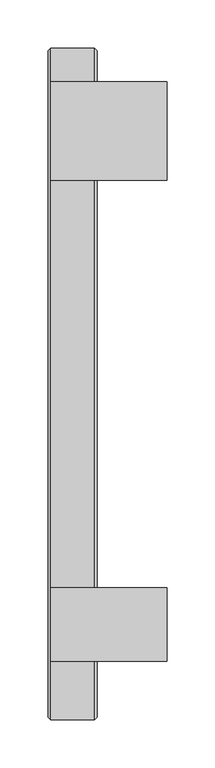
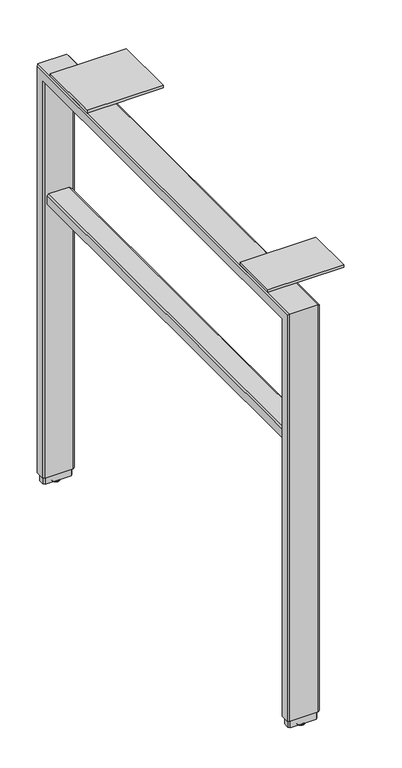
"""IFC4 building model written with IfcOpenShell, lengths in millimetres: furniture geometry."""

from ifc_helpers import new_model, si_unit, point, frame, origin, place, context, project, spatial, polyline, circle_curve, ellipse_curve, trimmed, outline, extrude, faceted_brep, source, transform, mapped, element, save
from ifc_brep_helpers import plane_surface, cylinder_surface, revolved_surface, advanced_brep


def furniture_6469d1b6(model_context):
    return source(origin(), model_context, "Body", "SolidModel", [
        extrude(outline(polyline([(211.3787877, 684.5046222), (188.0107877, 684.5046222), (188.0107877, 686.7906222), (209.0927877, 686.7906222), (209.0927877, 702.6656222), (211.3787877, 702.6656222), (211.3787877, 684.5046222)])), frame((-709.611301, 0.0, 0.0), z_axis=(1.0, 0.0, 0.0), x_axis=(0.0, 1.0, 0.0)), (0.0, 0.0, 1.0), 50.8),
        advanced_brep(
        [(-729.9318954, 236.7787877, 0.0), (-740.0918993, 236.7787877, 0.0), (-735.0118974, 236.7787877, 0.0), (-735.0118974, 236.7787877, 3.8100001), (-741.6345422, 236.7787877, 3.8100001), (-728.3892525, 236.7787877, 3.8100001), (-742.1238974, 236.7787877, 3.183654), (-727.8998973, 236.7787877, 3.183654), (-742.1238974, 236.7787877, 2.032), (-727.8998973, 236.7787877, 2.032)],
        [
            (0, 1, circle_curve(frame((-735.0118974, 236.7787877, 0.0), z_axis=(0.0, 0.0, -1.0), x_axis=(-1.0, 0.0, 0.0)), 5.080002)),
            (1, 2),
            (2, 0),
            (1, 0, circle_curve(frame((-735.0118974, 236.7787877, 0.0), z_axis=(0.0, 0.0, -1.0), x_axis=(-1.0, 0.0, 0.0)), 5.080002)),
            (3, 4),
            (4, 5, circle_curve(frame((-735.0118974, 236.7787877, 3.8100001), z_axis=(0.0, 0.0, 1.0), x_axis=(-1.0, 0.0, 0.0)), 6.6226448)),
            (5, 3),
            (5, 4, circle_curve(frame((-735.0118974, 236.7787877, 3.8100001), z_axis=(0.0, 0.0, 1.0), x_axis=(-1.0, 0.0, 0.0)), 6.6226448)),
            (4, 6),
            (6, 7, circle_curve(frame((-735.0118974, 236.7787877, 3.183654), z_axis=(0.0, 0.0, 1.0), x_axis=(-1.0, 0.0, 0.0)), 7.112)),
            (7, 5),
            (7, 6, circle_curve(frame((-735.0118974, 236.7787877, 3.183654), z_axis=(0.0, 0.0, 1.0), x_axis=(-1.0, 0.0, 0.0)), 7.112)),
            (6, 8),
            (8, 9, circle_curve(frame((-735.0118974, 236.7787877, 2.032), z_axis=(0.0, 0.0, 1.0), x_axis=(-1.0, 0.0, 0.0)), 7.112)),
            (9, 7),
            (9, 8, circle_curve(frame((-735.0118974, 236.7787877, 2.032), z_axis=(0.0, 0.0, 1.0), x_axis=(-1.0, 0.0, 0.0)), 7.112)),
            (8, 1, circle_curve(frame((-738.6550579, 236.7787877, 3.4688381), z_axis=(0.0, -1.0, 0.0), x_axis=(-1.0, 0.0, 0.0)), 3.7546439)),
            (0, 9, circle_curve(frame((-731.3687368, 236.7787877, 3.4688381), z_axis=(0.0, -1.0, 0.0), x_axis=(1.0, 0.0, 0.0)), 3.7546439)),
        ],
        [
            plane_surface(frame((-735.0118974, 236.7787877, 0.0), z_axis=(0.0, 0.0, -1.0), x_axis=(-1.0, 0.0, 0.0))),
            plane_surface(frame((-735.0118974, 236.7787877, 3.8100001), z_axis=(0.0, 0.0, 1.0), x_axis=(-1.0, 0.0, 0.0))),
            revolved_surface(polyline([(-742.1238974, 236.7787877, 3.183654), (-741.6345422, 236.7787877, 3.8100001)]), (-735.0118974, 236.7787877, -2.6032322), (0.0, 0.0, 1.0)),
            cylinder_surface(frame((-735.0118974, 236.7787877, -2.6032322), z_axis=(0.0, 0.0, 1.0), x_axis=(-1.0, 0.0, 0.0)), 7.112),
            revolved_surface(trimmed(ellipse_curve(frame((-738.6550579, 236.7787877, 3.4688381), z_axis=(0.0, 1.0, 0.0), x_axis=(-1.0, 0.0, 0.0)), 3.7546439, 3.7546439), [point((-740.0918993, 236.7787877, 0.0))], [point((-742.1238974, 236.7787877, 2.032))], True, "CARTESIAN"), (-735.0118974, 236.7787877, -2.6032322), (0.0, 0.0, 1.0)),
        ],
        [
            (0, [[1, 2, 3]]),
            (0, [[4, -3, -2]]),
            (1, [[5, 6, 7]]),
            (1, [[-7, 8, -5]]),
            (2, [[-6, 9, 10, 11]]),
            (2, [[-8, -11, 12, -9]]),
            (3, [[-10, 13, 14, 15]]),
            (3, [[-12, -15, 16, -13]]),
            (4, [[-14, 17, -1, 18]]),
            (4, [[-16, -18, -4, -17]]),
        ],
    ),
        extrude(outline(polyline([(-637.221301, -312.4962123), (-637.221301, -388.6962123), (-757.871301, -388.6962123), (-757.871301, -312.4962123), (-637.221301, -312.4962123)])), frame((0.0, 0.0, 702.6656222), z_axis=(0.0, 0.0, 1.0), x_axis=(1.0, 0.0, 0.0)), (0.0, 0.0, 1.0), 4.3434),
        extrude(outline(polyline([(-637.221301, 211.3787877), (-637.221301, 109.7787877), (-757.871301, 109.7787877), (-757.871301, 211.3787877), (-637.221301, 211.3787877)])), frame((0.0, 0.0, 702.6656222), z_axis=(0.0, 0.0, 1.0), x_axis=(1.0, 0.0, 0.0)), (0.0, 0.0, 1.0), 4.3434),
        extrude(outline(polyline([(476.5039908, -754.0612993), (473.9639932, -751.5213017), (473.9639932, -718.5012986), (476.5039908, -715.961301), (490.4739956, -715.961301), (493.0139932, -718.5012986), (493.0139932, -751.5212989), (490.4739928, -754.0612993), (476.5039908, -754.0612993)])), frame((0.0, -429.9712123, 0.0), z_axis=(0.0, 1.0, 0.0), x_axis=(0.0, 0.0, 1.0)), (0.0, 0.0, 1.0), 657.225),
        advanced_brep(
        [(-729.9318954, -439.4962123, 0.0), (-740.0918993, -439.4962123, 0.0), (-735.0118974, -439.4962123, 0.0), (-735.0118974, -439.4962123, 3.8100001), (-741.6345422, -439.4962123, 3.8100001), (-728.3892525, -439.4962123, 3.8100001), (-742.1238974, -439.4962123, 3.183654), (-727.8998973, -439.4962123, 3.183654), (-742.1238974, -439.4962123, 2.032), (-727.8998973, -439.4962123, 2.032)],
        [
            (0, 1, circle_curve(frame((-735.0118974, -439.4962123, 0.0), z_axis=(0.0, 0.0, -1.0), x_axis=(-1.0, 0.0, 0.0)), 5.080002)),
            (1, 2),
            (2, 0),
            (1, 0, circle_curve(frame((-735.0118974, -439.4962123, 0.0), z_axis=(0.0, 0.0, -1.0), x_axis=(-1.0, 0.0, 0.0)), 5.080002)),
            (3, 4),
            (4, 5, circle_curve(frame((-735.0118974, -439.4962123, 3.8100001), z_axis=(0.0, 0.0, 1.0), x_axis=(-1.0, 0.0, 0.0)), 6.6226448)),
            (5, 3),
            (5, 4, circle_curve(frame((-735.0118974, -439.4962123, 3.8100001), z_axis=(0.0, 0.0, 1.0), x_axis=(-1.0, 0.0, 0.0)), 6.6226448)),
            (4, 6),
            (6, 7, circle_curve(frame((-735.0118974, -439.4962123, 3.183654), z_axis=(0.0, 0.0, 1.0), x_axis=(-1.0, 0.0, 0.0)), 7.112)),
            (7, 5),
            (7, 6, circle_curve(frame((-735.0118974, -439.4962123, 3.183654), z_axis=(0.0, 0.0, 1.0), x_axis=(-1.0, 0.0, 0.0)), 7.112)),
            (6, 8),
            (8, 9, circle_curve(frame((-735.0118974, -439.4962123, 2.032), z_axis=(0.0, 0.0, 1.0), x_axis=(-1.0, 0.0, 0.0)), 7.112)),
            (9, 7),
            (9, 8, circle_curve(frame((-735.0118974, -439.4962123, 2.032), z_axis=(0.0, 0.0, 1.0), x_axis=(-1.0, 0.0, 0.0)), 7.112)),
            (8, 1, circle_curve(frame((-738.6550579, -439.4962123, 3.4688381), z_axis=(0.0, -1.0, 0.0), x_axis=(-1.0, 0.0, 0.0)), 3.7546439)),
            (0, 9, circle_curve(frame((-731.3687368, -439.4962123, 3.4688381), z_axis=(0.0, -1.0, 0.0), x_axis=(1.0, 0.0, 0.0)), 3.7546439)),
        ],
        [
            plane_surface(frame((-735.0118974, -439.4962123, 0.0), z_axis=(0.0, 0.0, -1.0), x_axis=(-1.0, 0.0, 0.0))),
            plane_surface(frame((-735.0118974, -439.4962123, 3.8100001), z_axis=(0.0, 0.0, 1.0), x_axis=(-1.0, 0.0, 0.0))),
            revolved_surface(polyline([(-742.1238974, -439.4962123, 3.183654), (-741.6345422, -439.4962123, 3.8100001)]), (-735.0118974, -439.4962123, -2.6032322), (0.0, 0.0, 1.0)),
            cylinder_surface(frame((-735.0118974, -439.4962123, -2.6032322), z_axis=(0.0, 0.0, 1.0), x_axis=(-1.0, 0.0, 0.0)), 7.112),
            revolved_surface(trimmed(ellipse_curve(frame((-738.6550579, -439.4962123, 3.4688381), z_axis=(0.0, 1.0, 0.0), x_axis=(-1.0, 0.0, 0.0)), 3.7546439, 3.7546439), [point((-740.0918993, -439.4962123, 0.0))], [point((-742.1238974, -439.4962123, 2.032))], True, "CARTESIAN"), (-735.0118974, -439.4962123, -2.6032322), (0.0, 0.0, 1.0)),
        ],
        [
            (0, [[1, 2, 3]]),
            (0, [[4, -3, -2]]),
            (1, [[5, 6, 7]]),
            (1, [[-7, 8, -5]]),
            (2, [[-6, 9, 10, 11]]),
            (2, [[-8, -11, 12, -9]]),
            (3, [[-10, 13, 14, 15]]),
            (3, [[-12, -15, 16, -13]]),
            (4, [[-14, 17, -1, 18]]),
            (4, [[-16, -18, -4, -17]]),
        ],
    ),
        extrude(outline(polyline([(-755.4583011, -432.3842191), (-714.5648987, -432.3842191), (-712.0243022, -434.9242166), (-712.0243022, -444.0682079), (-714.5648987, -446.6082055), (-755.4583011, -446.6082055), (-757.9983009, -444.0682079), (-757.9983009, -434.9242166), (-755.4583011, -432.3842191)])), frame((0.0, 0.0, 3.8100001), z_axis=(0.0, 0.0, 1.0), x_axis=(1.0, 0.0, 0.0)), (0.0, 0.0, 1.0), 12.6999999),
        extrude(outline(polyline([(-755.4583011, 243.8907877), (-714.5648987, 243.8907877), (-712.0243022, 241.3507902), (-712.0243022, 232.2067989), (-714.5648987, 229.6668013), (-755.4583011, 229.6668013), (-757.9983009, 232.2067989), (-757.9983009, 241.3507902), (-755.4583011, 243.8907877)])), frame((0.0, 0.0, 3.8100001), z_axis=(0.0, 0.0, 1.0), x_axis=(1.0, 0.0, 0.0)), (0.0, 0.0, 1.0), 12.6999999),
        faceted_brep([(-760.4119011, -446.4812147, 16.51), (-760.4119011, -432.5112098, 16.51), (-757.8719011, -429.9712123, 16.51), (-712.1519021, -429.9712123, 16.51), (-709.6119, -432.5112144, 16.51), (-709.6119, -446.4812102, 16.51), (-712.1519021, -449.0212123, 16.51), (-757.8719011, -449.0212123, 16.51), (-760.4119011, -446.4812147, 700.1256246), (-760.4119011, 243.7637902, 700.1256246), (-760.4119011, 243.7637902, 16.51), (-760.4119011, 229.7937853, 16.51), (-760.4119011, 229.7937853, 686.1556198), (-760.4119011, -432.5112098, 686.1556198), (-757.8719011, -429.9712123, 683.6156222), (-712.1519021, -429.9712123, 683.6156222), (-709.6119, -432.5112144, 686.1556243), (-709.6119, 229.7937898, 686.1556243), (-709.6119, 229.7937898, 16.51), (-709.6119, 243.7637856, 16.51), (-709.6119, 243.7637856, 700.1256201), (-709.6119, -446.4812102, 700.1256201), (-712.1519021, -449.0212123, 702.6656222), (-757.8719011, -449.0212123, 702.6656222), (-757.8719011, 227.2537877, 683.6156222), (-712.1519021, 227.2537877, 683.6156222), (-712.1519021, 246.3037877, 702.6656222), (-757.8719011, 246.3037877, 702.6656222), (-757.8719011, 227.2537877, 16.51), (-712.1519021, 227.2537877, 16.51), (-712.1519021, 246.3037877, 16.51), (-757.8719011, 246.3037877, 16.51)], [[[0, 1, 2, 3, 4, 5, 6, 7]], [[1, 0, 8, 9, 10, 11, 12, 13]], [[2, 1, 13, 14]], [[3, 2, 14, 15]], [[5, 4, 16, 17, 18, 19, 20, 21]], [[6, 5, 21, 22]], [[7, 6, 22, 23]], [[0, 7, 23, 8]], [[14, 13, 12, 24]], [[15, 14, 24, 25]], [[22, 21, 20, 26]], [[23, 22, 26, 27]], [[8, 23, 27, 9]], [[24, 12, 11, 28]], [[25, 24, 28, 29]], [[26, 20, 19, 30]], [[27, 26, 30, 31]], [[9, 27, 31, 10]], [[10, 31, 30, 19, 18, 29, 28, 11]], [[4, 3, 15, 16]], [[16, 15, 25, 17]], [[17, 25, 29, 18]]]),
    ])


if __name__ == "__main__":
    model = new_model("IFC4")
    model_context = context("Model", 3, world=origin())
    ifc_project = project(units=[si_unit("LENGTHUNIT", "METRE", prefix="MILLI")], contexts=[model_context])
    site = spatial("IfcSite", under=ifc_project)
    building = spatial("IfcBuilding", under=site)
    placement = place(None, origin())
    furniture_shape = furniture_6469d1b6(model_context)
    element("IfcFurniture", 1, at=placement, inside=building, context=model_context, shape_type="MappedRepresentation", body=[
        mapped(furniture_shape, transform((0.0, 0.0, 0.0), x_axis=(1.0, 0.0, 0.0), y_axis=(0.0, 1.0, 0.0), z_axis=(0.0, 0.0, 1.0))),
    ])
    save(model, "model.ifc")
